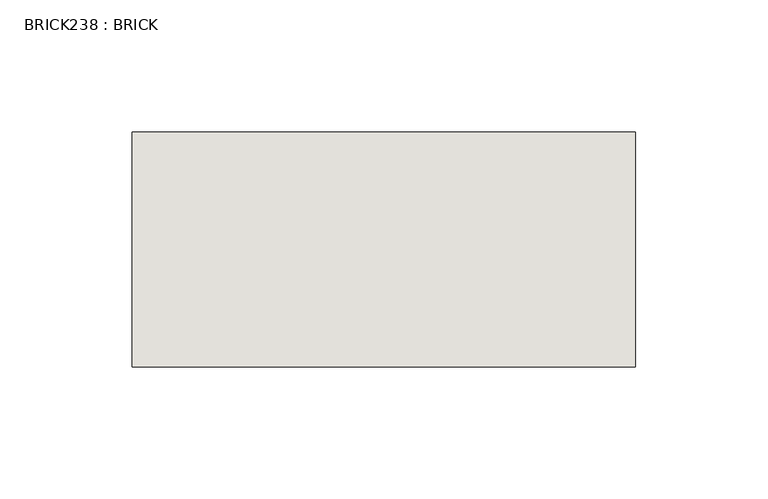
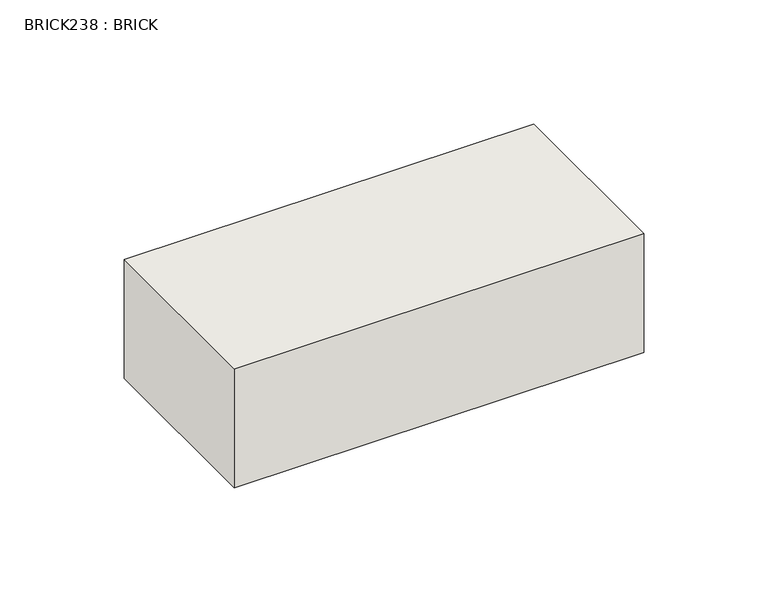
"""IFC4 building model written with IfcOpenShell, lengths in millimetres: wall geometry, BRICK238 : BRICK."""

from ifc_helpers import new_model, si_unit, frame, origin, place, context, project, spatial, polyline, outline, extrude, source, transform, mapped, element, save


def brick238_brick_4af9a68c(model_context):
    return source(origin(), model_context, "Body", "SweptSolid", [
        extrude(outline(polyline([(-1684.2574357, 3062.3923312), (-1493.7574357, 3062.3923312), (-1493.7574357, 2973.4923312), (-1684.2574357, 2973.4923312), (-1684.2574357, 3062.3923312)])), frame((0.0, 0.0, 283.5671875), z_axis=(0.0, 0.0, 1.0), x_axis=(1.0, 0.0, 0.0)), (0.0, 0.0, 1.0), 58.4398437),
    ])


if __name__ == "__main__":
    model = new_model("IFC4")
    model_context = context("Model", 3, world=origin())
    ifc_project = project(units=[si_unit("LENGTHUNIT", "METRE", prefix="MILLI")], contexts=[model_context])
    site = spatial("IfcSite", under=ifc_project)
    building = spatial("IfcBuilding", under=site)
    placement = place(None, origin())
    brick238_brick_shape = brick238_brick_4af9a68c(model_context)
    element("IfcWall", 1, ObjectType="BRICK238 : BRICK", at=placement, inside=building, context=model_context, shape_type="MappedRepresentation", body=[
        mapped(brick238_brick_shape, transform((0.0, 0.0, 0.0), x_axis=(1.0, 0.0, 0.0), y_axis=(0.0, 1.0, 0.0), z_axis=(0.0, 0.0, 1.0))),
    ])
    save(model, "model.ifc")
